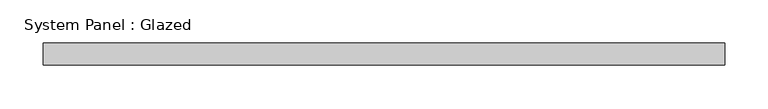
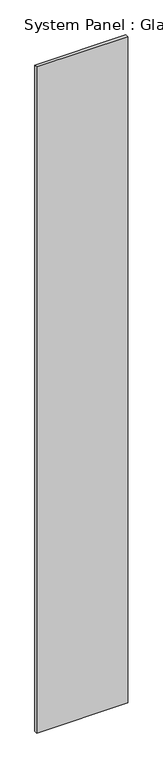
"""IFC4 building model written with IfcOpenShell, lengths in millimetres: plate geometry, System Panel : Glazed."""

from ifc_helpers import new_model, si_unit, origin, origin_with_axes, place, context, project, spatial, polyline, outline, extrude, source, transform, mapped, element, save


def system_panel_glazed_0cf6f851(model_context):
    return source(origin(), model_context, "Body", "SweptSolid", [
        extrude(outline(polyline([(393.7, 19.05), (-393.7, 19.05), (-393.7, 44.45), (393.7, 44.45), (393.7, 19.05)])), origin_with_axes(), (0.0, 0.0, 1.0), 6096.0),
    ])


if __name__ == "__main__":
    model = new_model("IFC4")
    model_context = context("Model", 3, world=origin())
    ifc_project = project(units=[si_unit("LENGTHUNIT", "METRE", prefix="MILLI")], contexts=[model_context])
    site = spatial("IfcSite", under=ifc_project)
    building = spatial("IfcBuilding", under=site)
    placement = place(None, origin())
    system_panel_glazed_shape = system_panel_glazed_0cf6f851(model_context)
    element("IfcPlate", 1, ObjectType="System Panel : Glazed", at=placement, inside=building, context=model_context, shape_type="MappedRepresentation", body=[
        mapped(system_panel_glazed_shape, transform((0.0, 0.0, 0.0), x_axis=(1.0, 0.0, 0.0), y_axis=(0.0, 1.0, 0.0), z_axis=(0.0, 0.0, 1.0))),
    ])
    save(model, "model.ifc")
